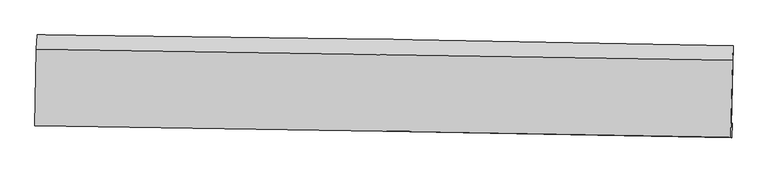
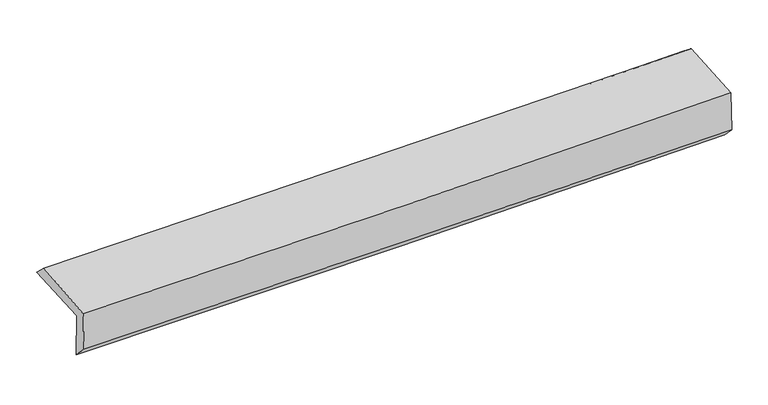
"""IFC4 building model written with IfcOpenShell, lengths in millimetres: proxy geometry."""

from ifc_helpers import new_model, si_unit, frame, origin, place, context, project, spatial, source, transform, mapped, element, save
from ifc_brep_helpers import plane_surface, spline_curve, spline_surface, advanced_brep


def generic_models_97cee1f3(model_context):
    return source(origin(), model_context, "Body", "AdvancedBrep", [
        advanced_brep(
        [(-3025.3840713, -1772.7458491, 1971.369331), (-3011.2021993, -1098.1032232, 1989.2705985), (3014.3981256, -1193.523957, 2135.8822975), (3000.017425, -1878.1956992, 2117.1135201), (-3016.7226255, -1746.3574658, 1565.6750374), (3008.4949567, -1861.7509258, 1709.8964233), (-3022.3984633, -1882.5380129, 1703.085958), (3003.2291325, -1987.9157676, 1837.573548), (-3029.5148209, -1883.3084353, 2059.0003724), (2996.0176304, -1983.710832, 2203.6327055), (-3016.2082265, -1221.7723772, 2106.6201663), (3009.681212, -1319.2697699, 2236.4949471)],
        [
            (0, 1),
            (1, 2, spline_curve(3, [(-3011.2021993, -1098.1032232, 1989.2705985), (-2006.375563766, -1107.353172575, 1993.446008184), (-1001.835069577, -1119.929736259, 2007.751079084), (1006.698386104, -1151.736483486, 2056.621146327), (2010.691333731, -1170.966831347, 2091.18664157), (3014.3981256, -1193.523957, 2135.8822975)], [4, 2, 4], [0.0, 9.888793802425983, 19.777831320855043])),
            (2, 3),
            (3, 0, spline_curve(3, [(3000.017425, -1878.1956992, 2117.1135201), (1996.032469009, -1857.632188677, 2084.208588985), (991.917010354, -1838.562856102, 2055.610678089), (-1016.550161244, -1803.412979639, 2007.029493761), (-2020.901868388, -1787.332362194, 1987.046008786), (-3025.3840713, -1772.7458491, 1971.369331)], [4, 2, 4], [0.0, 9.88903751842906, 19.777831320855043])),
            (4, 0),
            (3, 5),
            (5, 4, spline_curve(3, [(3008.4949567, -1861.7509258, 1709.8964233), (2004.479347075, -1842.844744967, 1676.737682326), (1000.363888672, -1823.775412309, 1648.139771109), (-1008.041976918, -1785.310917477, 1600.066200887), (-2012.332379401, -1765.915763516, 1580.590316581), (-3016.7226255, -1746.3574658, 1565.6750374)], [4, 2, 4], [0.0, 9.888796216784513, 19.777348723512848])),
            (6, 4),
            (5, 7),
            (7, 6, spline_curve(3, [(3003.2291325, -1987.9157676, 1837.573548), (1999.148458798, -1967.354683082, 1809.464370376), (994.966300208, -1948.292571299, 1784.202379652), (-1013.576236769, -1913.166727146, 1739.373323162), (-2017.936609971, -1897.102920583, 1719.806117621), (-3022.3984633, -1882.5380129, 1703.085958)], [4, 2, 4], [0.0, 9.888728424277236, 19.777213140169042])),
            (8, 6),
            (7, 9),
            (9, 8, spline_curve(3, [(2996.0176304, -1983.710832, 2203.6327055), (1991.984529114, -1965.637436674, 2170.451135589), (987.834085242, -1948.233777618, 2141.807563504), (-1020.676737394, -1914.766345191, 2093.59700978), (-2025.037110937, -1898.702538373, 2074.029804032), (-3029.5148209, -1883.3084353, 2059.0003724)], [4, 2, 4], [0.0, 9.8887805948545, 19.777317480037823])),
            (10, 8),
            (9, 11),
            (11, 10, spline_curve(3, [(3009.681212, -1319.2697699, 2236.4949471), (2005.469616375, -1302.648882424, 2210.692183728), (1001.200176889, -1286.213558146, 2186.967795703), (-1007.429638975, -1253.714436731, 2143.676304764), (-2011.790012078, -1237.650629844, 2124.109098822), (-3016.2082265, -1221.7723772, 2106.6201663)], [4, 2, 4], [0.0, 9.88877887973316, 19.77731404983741])),
            (1, 10),
            (11, 2),
        ],
        [
            spline_surface(3, 3, [[(-3025.3840713, -1772.7458491, 1971.369331), (-2020.901868353, -1787.332362282, 1987.046008696), (-1016.550161378, -1803.412979684, 2007.029493888), (991.917010488, -1838.562856056, 2055.610677963), (1996.032468946, -1857.632188715, 2084.208589139), (3000.017425, -1878.1956992, 2117.1135201)], [(-3020.656780646, -1547.864973786, 1977.336420173), (-2016.059766802, -1560.672632396, 1989.179341849), (-1011.64513079, -1575.585231854, 2007.270022311), (996.844135703, -1609.620731862, 2055.9475007), (2000.918757193, -1628.743736209, 2086.534606591), (3004.810991863, -1649.97178512, 2123.369779233)], [(-3015.929489954, -1322.984098514, 1983.303509327), (-2011.217665212, -1334.012902553, 1991.312674981), (-1006.740100198, -1347.757484063, 2007.510550775), (1001.771260922, -1380.678607706, 2056.284323476), (2005.805045453, -1399.855283744, 2088.860624045), (3009.604558737, -1421.74787108, 2129.626038367)], [(-3011.2021993, -1098.1032232, 1989.2705985), (-2006.375563661, -1107.353172667, 1993.446008133), (-1001.83506961, -1119.929736233, 2007.751079198), (1006.698386137, -1151.736483511, 2056.621146213), (2010.691333701, -1170.966831238, 2091.186641497), (3014.3981256, -1193.523957, 2135.8822975)]], [4, 4], [4, 2, 4], [0.0, 2.248405869093322], [0.0, 9.888793802425983, 19.777831320855043]),
            spline_surface(3, 3, [[(-3016.7226255, -1746.3574658, 1565.6750374), (-2012.332379259, -1765.915763557, 1580.590316613), (-1008.041976939, -1785.31091753, 1600.066200752), (1000.363888694, -1823.775412256, 1648.139771243), (2004.479347152, -1842.844744914, 1676.737682419), (3008.4949567, -1861.7509258, 1709.8964233)], [(-3019.609774109, -1755.153593594, 1700.906468601), (-2015.188875632, -1773.054629826, 1716.075547308), (-1010.878038405, -1791.344938244, 1735.720631806), (997.548262639, -1828.704560185, 1783.963406825), (2001.663721097, -1847.773892844, 1812.561318001), (3005.669112814, -1867.232516929, 1845.635455575)], [(-3022.496922691, -1763.949721306, 1836.137899799), (-2018.045371979, -1780.193496013, 1851.560778001), (-1013.714099912, -1797.378958971, 1871.375062834), (994.732636543, -1833.633708127, 1919.787042382), (1998.848095001, -1852.703040786, 1948.384953558), (3002.843268886, -1872.714108071, 1981.374487825)], [(-3025.3840713, -1772.7458491, 1971.369331), (-2020.901868353, -1787.332362282, 1987.046008696), (-1016.550161378, -1803.412979684, 2007.029493888), (991.917010488, -1838.562856056, 2055.610677963), (1996.032468946, -1857.632188715, 2084.208589139), (3000.017425, -1878.1956992, 2117.1135201)]], [4, 4], [4, 2, 4], [0.0, 1.3373923153898446], [0.0, 9.888552506728335, 19.777348723512848]),
            spline_surface(3, 3, [[(-3022.3984633, -1882.5380129, 1703.085958), (-2017.936610036, -1897.102920452, 1719.806117494), (-1013.57623675, -1913.166727039, 1739.373323236), (994.966300189, -1948.292571405, 1784.202379578), (1999.14845883, -1967.354683019, 1809.464370479), (3003.2291325, -1987.9157676, 1837.573548)], [(-3020.506517371, -1837.144497195, 1657.282317804), (-2016.068533114, -1853.373868149, 1673.400850537), (-1011.731483467, -1870.548123871, 1692.937615747), (996.76549637, -1906.786851691, 1738.848176805), (2000.925421575, -1925.851370313, 1765.22214111), (3004.984407205, -1945.860820329, 1795.014506417)], [(-3018.614571429, -1791.750981505, 1611.478677596), (-2014.200456181, -1809.644815861, 1626.99558357), (-1009.886730222, -1827.929520698, 1646.501908242), (998.564692512, -1865.28113197, 1693.493974017), (2002.702384406, -1884.34805762, 1720.979911788), (3006.739681995, -1903.805873071, 1752.455464883)], [(-3016.7226255, -1746.3574658, 1565.6750374), (-2012.332379259, -1765.915763557, 1580.590316613), (-1008.041976939, -1785.31091753, 1600.066200752), (1000.363888694, -1823.775412256, 1648.139771243), (2004.479347152, -1842.844744914, 1676.737682419), (3008.4949567, -1861.7509258, 1709.8964233)]], [4, 4], [4, 2, 4], [0.0, 0.612999328029133], [0.0, 9.888484715891806, 19.777213140169042]),
            spline_surface(3, 3, [[(-3029.5148209, -1883.3084353, 2059.0003724), (-2025.037110798, -1898.702538536, 2074.029803892), (-1020.676737511, -1914.766345123, 2093.597009635), (987.834085359, -1948.233777686, 2141.807563649), (1991.9845292, -1965.637436651, 2170.451135626), (2996.0176304, -1983.710832, 2203.6327055)], [(-3027.142701704, -1883.05162783, 1940.362234257), (-2022.670277214, -1898.169332504, 1955.955241749), (-1018.309903928, -1914.233139091, 1975.522447492), (990.211490299, -1948.253375588, 2022.605835615), (1994.372505755, -1966.209852113, 2050.122213922), (2998.421464446, -1985.112477206, 2081.612986345)], [(-3024.770582496, -1882.79482037, 1821.724096143), (-2020.30344362, -1897.636126484, 1837.880679637), (-1015.943070333, -1913.699933071, 1857.447885379), (992.588895249, -1948.272973503, 1903.404107612), (1996.760482274, -1966.782267557, 1929.793292183), (3000.825298454, -1986.514122394, 1959.593267155)], [(-3022.3984633, -1882.5380129, 1703.085958), (-2017.936610036, -1897.102920452, 1719.806117494), (-1013.57623675, -1913.166727039, 1739.373323236), (994.966300189, -1948.292571405, 1784.202379578), (1999.14845883, -1967.354683019, 1809.464370479), (3003.2291325, -1987.9157676, 1837.573548)]], [4, 4], [4, 2, 4], [0.0, 1.1679345397105205], [0.0, 9.888536885183322, 19.777317480037823]),
            spline_surface(3, 3, [[(-3016.2082265, -1221.7723772, 2106.6201663), (-2011.790012064, -1237.65062988, 2124.109098914), (-1007.429638878, -1253.714436567, 2143.676304657), (1001.200176792, -1286.213558309, 2186.967795811), (2005.469616468, -1302.648882546, 2210.692183676), (3009.681212, -1319.2697699, 2236.4949471)], [(-3020.643757953, -1442.284396554, 2090.746901684), (-2016.205711628, -1458.001266086, 2107.416000591), (-1011.845338442, -1474.065072773, 2126.983206333), (996.744812962, -1506.886964788, 2171.914385108), (2000.974587394, -1523.645067253, 2197.278501004), (3005.126684815, -1540.750123939, 2225.540866578)], [(-3025.079289447, -1662.796415946, 2074.873637016), (-2020.621411234, -1678.35190233, 2090.722902215), (-1016.261037947, -1694.415708917, 2110.290107958), (992.28944919, -1727.560371206, 2156.860974352), (1996.479558274, -1744.641251944, 2183.864818298), (3000.572157585, -1762.230477961, 2214.586786022)], [(-3029.5148209, -1883.3084353, 2059.0003724), (-2025.037110798, -1898.702538536, 2074.029803892), (-1020.676737511, -1914.766345123, 2093.597009635), (987.834085359, -1948.233777686, 2141.807563649), (1991.9845292, -1965.637436651, 2170.451135626), (2996.0176304, -1983.710832, 2203.6327055)]], [4, 4], [4, 2, 4], [0.0, 2.1764476670494797], [0.0, 9.888535170104252, 19.77731404983741]),
            spline_surface(3, 3, [[(-3011.2021993, -1098.1032232, 1989.2705985), (-2006.375563661, -1107.353172667, 1993.446008133), (-1001.83506961, -1119.929736233, 2007.751079198), (1006.698386137, -1151.736483511, 2056.621146213), (2010.691333701, -1170.966831238, 2091.186641497), (3014.3981256, -1193.523957, 2135.8822975)], [(-3012.870875018, -1139.326274543, 2028.387121081), (-2008.18037978, -1150.785658414, 2037.000371708), (-1003.699926035, -1164.524636343, 2053.059487677), (1004.865649686, -1196.56217511, 2100.070029405), (2008.950761282, -1214.860848351, 2131.021822209), (3012.825821058, -1235.439227977, 2169.419847352)], [(-3014.539550782, -1180.549325857, 2067.503643719), (-2009.985195945, -1194.218144133, 2080.554735339), (-1005.564782453, -1209.119536457, 2098.367896178), (1003.032913243, -1241.387866711, 2143.518912619), (2007.210188888, -1258.754865432, 2170.857002964), (3011.253516542, -1277.354498923, 2202.957397248)], [(-3016.2082265, -1221.7723772, 2106.6201663), (-2011.790012064, -1237.65062988, 2124.109098914), (-1007.429638878, -1253.714436567, 2143.676304657), (1001.200176792, -1286.213558309, 2186.967795811), (2005.469616468, -1302.648882546, 2210.692183676), (3009.681212, -1319.2697699, 2236.4949471)]], [4, 4], [4, 2, 4], [0.0, 0.6203045324358938], [0.0, 9.888694422507195, 19.77763255856818]),
            plane_surface(frame((3005.3064137, -1704.0611586, 2040.0989069), z_axis=(0.9995691042290621, -0.02154133136307284, 0.01993933082670902), x_axis=(0.019695252873542363, -0.011484052660964464, -0.9997400729933393))),
            plane_surface(frame((-3020.2384011, -1600.8042272, 1899.1702439), z_axis=(-0.9995691042293088, 0.0215413313501347, -0.019939330828313694), x_axis=(-0.021009275693936517, -0.9994275058765489, -0.026519253990202423))),
        ],
        [
            (0, [[1, 2, 3, 4]]),
            (1, [[5, -4, 6, 7]]),
            (2, [[8, -7, 9, 10]]),
            (3, [[11, -10, 12, 13]]),
            (4, [[14, -13, 15, 16]]),
            (5, [[17, -16, 18, -2]]),
            (6, [[-12, -9, -6, -3, -18, -15]]),
            (7, [[-1, -5, -8, -11, -14, -17]]),
        ],
    ),
    ])


if __name__ == "__main__":
    model = new_model("IFC4")
    model_context = context("Model", 3, world=origin())
    ifc_project = project(units=[si_unit("LENGTHUNIT", "METRE", prefix="MILLI")], contexts=[model_context])
    site = spatial("IfcSite", under=ifc_project)
    building = spatial("IfcBuilding", under=site)
    placement = place(None, origin())
    generic_models_shape = generic_models_97cee1f3(model_context)
    element("IfcBuildingElementProxy", 1, Name="Generic Models", at=placement, inside=building, context=model_context, shape_type="MappedRepresentation", body=[
        mapped(generic_models_shape, transform((0.0, 0.0, 0.0), x_axis=(1.0, 0.0, 0.0), y_axis=(0.0, 1.0, 0.0), z_axis=(0.0, 0.0, 1.0))),
    ])
    save(model, "model.ifc")
